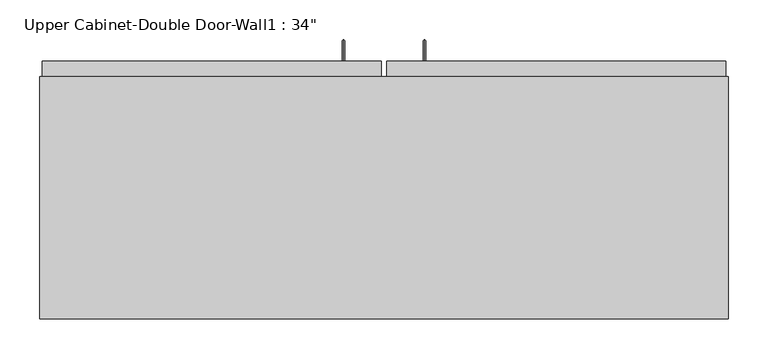
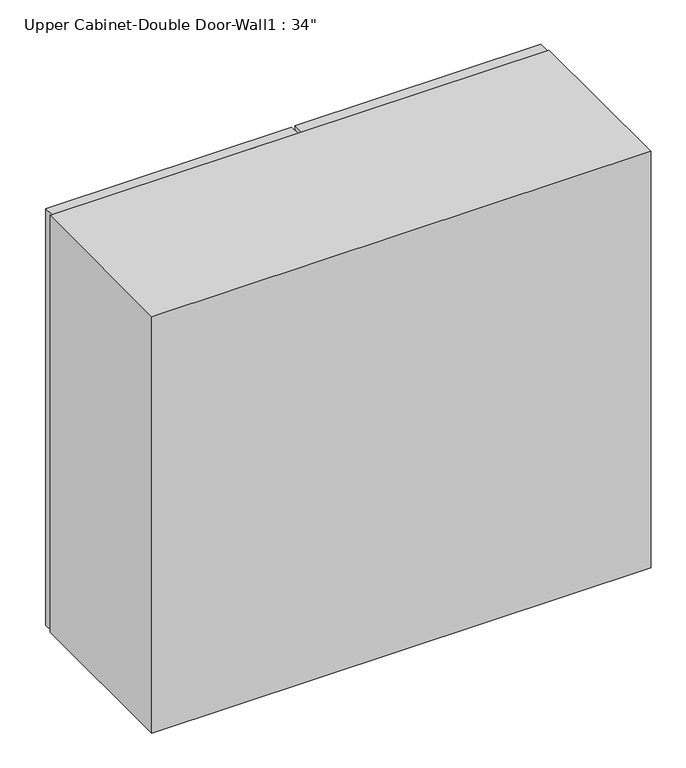
"""IFC4 building model written with IfcOpenShell, lengths in millimetres: furniture geometry."""

from ifc_helpers import new_model, si_unit, frame, origin, place, context, project, spatial, polyline, circle_curve, ellipse_curve, outline, extrude, faceted_brep, source, transform, mapped, element, save
from ifc_brep_helpers import plane_surface, cylinder_surface, advanced_brep


def furniture_887edf8e(model_context):
    return source(origin(), model_context, "Body", "SolidModel", [
        advanced_brep(
        [(80.5132081, 396.225, 1425.575), (80.5132081, 396.225, 1422.4), (80.5132081, 420.0375, 1425.575), (80.5132081, 423.2125, 1422.4), (80.5132081, 420.0375, 1597.025), (80.5132081, 423.2125, 1600.2), (80.5132081, 396.225, 1597.025), (80.5132081, 396.225, 1600.2)],
        [
            (0, 1, circle_curve(frame((80.5132081, 396.225, 1423.9875), z_axis=(0.0, -1.0, 0.0), x_axis=(0.0, 0.0, -1.0)), 1.5875)),
            (1, 0, circle_curve(frame((80.5132081, 396.225, 1423.9875), z_axis=(0.0, -1.0, 0.0), x_axis=(0.0, 0.0, -1.0)), 1.5875)),
            (0, 2),
            (2, 3, ellipse_curve(frame((80.5132081, 421.625, 1423.9875), z_axis=(0.0, -0.7071067811865536, -0.7071067811865416), x_axis=(0.0, -0.7071067811865415, 0.7071067811865536)), 2.245064, 1.5875)),
            (3, 1),
            (3, 2, ellipse_curve(frame((80.5132081, 421.625, 1423.9875), z_axis=(0.0, -0.7071067811865536, -0.7071067811865416), x_axis=(0.0, -0.7071067811865415, 0.7071067811865536)), 2.245064, 1.5875)),
            (2, 4),
            (4, 5, ellipse_curve(frame((80.5132081, 421.625, 1598.6125), z_axis=(0.0, 0.7071067811865415, -0.7071067811865535), x_axis=(0.0, -0.7071067811865533, -0.7071067811865418)), 2.245064, 1.5875)),
            (5, 3),
            (5, 4, ellipse_curve(frame((80.5132081, 421.625, 1598.6125), z_axis=(0.0, 0.7071067811865415, -0.7071067811865535), x_axis=(0.0, -0.7071067811865533, -0.7071067811865418)), 2.245064, 1.5875)),
            (6, 7, circle_curve(frame((80.5132081, 396.225, 1598.6125), z_axis=(0.0, -1.0, 0.0), x_axis=(0.0, 0.0, 1.0)), 1.5875)),
            (7, 6, circle_curve(frame((80.5132081, 396.225, 1598.6125), z_axis=(0.0, -1.0, 0.0), x_axis=(0.0, 0.0, 1.0)), 1.5875)),
            (4, 6),
            (7, 5),
        ],
        [
            plane_surface(frame((80.5132081, 396.225, 1423.9875), z_axis=(0.0, -1.0, 0.0), x_axis=(-1.0, 0.0, 0.0))),
            cylinder_surface(frame((80.5132081, 396.225, 1423.9875), z_axis=(0.0, -1.0, 0.0), x_axis=(0.0, 0.0, -1.0)), 1.5875),
            cylinder_surface(frame((80.5132081, 421.625, 1423.9875), z_axis=(0.0, 0.0, -1.0), x_axis=(0.0, 1.0, 0.0)), 1.5875),
            plane_surface(frame((80.5132081, 396.225, 1598.6125), z_axis=(0.0, -1.0, 0.0), x_axis=(-1.0, 0.0, 0.0))),
            cylinder_surface(frame((80.5132081, 421.625, 1598.6125), z_axis=(0.0, 1.0, 0.0), x_axis=(0.0, 0.0, 1.0)), 1.5875),
        ],
        [
            (0, [[1, 2]]),
            (1, [[-1, 3, 4, 5]]),
            (1, [[-2, -5, 6, -3]]),
            (2, [[-4, 7, 8, 9]]),
            (2, [[-6, -9, 10, -7]]),
            (3, [[11, 12]]),
            (4, [[-8, 13, -12, 14]]),
            (4, [[-10, -14, -11, -13]]),
        ],
    ),
        advanced_brep(
        [(-21.0867919, 396.225, 1425.575), (-21.0867919, 396.225, 1422.4), (-21.0867919, 420.0375, 1425.575), (-21.0867919, 423.2125, 1422.4), (-21.0867919, 420.0375, 1597.025), (-21.0867919, 423.2125, 1600.2), (-21.0867919, 396.225, 1597.025), (-21.0867919, 396.225, 1600.2)],
        [
            (0, 1, circle_curve(frame((-21.0867919, 396.225, 1423.9875), z_axis=(0.0, -1.0, 0.0), x_axis=(0.0, 0.0, -1.0)), 1.5875)),
            (1, 0, circle_curve(frame((-21.0867919, 396.225, 1423.9875), z_axis=(0.0, -1.0, 0.0), x_axis=(0.0, 0.0, -1.0)), 1.5875)),
            (0, 2),
            (2, 3, ellipse_curve(frame((-21.0867919, 421.625, 1423.9875), z_axis=(0.0, -0.7071067811865536, -0.7071067811865414), x_axis=(0.0, -0.7071067811865416, 0.7071067811865535)), 2.245064, 1.5875)),
            (3, 1),
            (3, 2, ellipse_curve(frame((-21.0867919, 421.625, 1423.9875), z_axis=(0.0, -0.7071067811865536, -0.7071067811865414), x_axis=(0.0, -0.7071067811865416, 0.7071067811865535)), 2.245064, 1.5875)),
            (2, 4),
            (4, 5, ellipse_curve(frame((-21.0867919, 421.625, 1598.6125), z_axis=(0.0, 0.7071067811865415, -0.7071067811865535), x_axis=(0.0, -0.7071067811865533, -0.7071067811865416)), 2.245064, 1.5875)),
            (5, 3),
            (5, 4, ellipse_curve(frame((-21.0867919, 421.625, 1598.6125), z_axis=(0.0, 0.7071067811865415, -0.7071067811865535), x_axis=(0.0, -0.7071067811865533, -0.7071067811865416)), 2.245064, 1.5875)),
            (6, 7, circle_curve(frame((-21.0867919, 396.225, 1598.6125), z_axis=(0.0, -1.0, 0.0), x_axis=(0.0, 0.0, 1.0)), 1.5875)),
            (7, 6, circle_curve(frame((-21.0867919, 396.225, 1598.6125), z_axis=(0.0, -1.0, 0.0), x_axis=(0.0, 0.0, 1.0)), 1.5875)),
            (4, 6),
            (7, 5),
        ],
        [
            plane_surface(frame((-21.0867919, 396.225, 1423.9875), z_axis=(0.0, -1.0, 0.0), x_axis=(-1.0, 0.0, 0.0))),
            cylinder_surface(frame((-21.0867919, 396.225, 1423.9875), z_axis=(0.0, -1.0, 0.0), x_axis=(0.0, 0.0, -1.0)), 1.5875),
            cylinder_surface(frame((-21.0867919, 421.625, 1423.9875), z_axis=(0.0, 0.0, -1.0), x_axis=(0.0, 1.0, 0.0)), 1.5875),
            plane_surface(frame((-21.0867919, 396.225, 1598.6125), z_axis=(0.0, -1.0, 0.0), x_axis=(-1.0, 0.0, 0.0))),
            cylinder_surface(frame((-21.0867919, 421.625, 1598.6125), z_axis=(0.0, 1.0, 0.0), x_axis=(0.0, 0.0, 1.0)), 1.5875),
        ],
        [
            (0, [[1, 2]]),
            (1, [[-1, 3, 4, 5]]),
            (1, [[-2, -5, 6, -3]]),
            (2, [[-4, 7, 8, 9]]),
            (2, [[-6, -9, 10, -7]]),
            (3, [[11, 12]]),
            (4, [[-8, 13, -12, 14]]),
            (4, [[-10, -14, -11, -13]]),
        ],
    ),
        faceted_brep([(-402.0288372, 72.375, 2133.6), (-402.0288372, 72.375, 1371.6), (461.5711628, 72.375, 1371.6), (461.5711628, 72.375, 2133.6), (-402.0288372, 377.175, 2133.6), (461.5711628, 377.175, 2133.6), (461.5711628, 377.175, 1371.6), (-402.0288372, 377.175, 1371.6), (442.5211628, 377.175, 2114.55), (55.1711628, 377.175, 2114.55), (55.1711628, 377.175, 1390.65), (442.5211628, 377.175, 1390.65), (-382.9788372, 377.175, 2114.55), (-382.9788372, 377.175, 1390.65), (4.3711628, 377.175, 1390.65), (4.3711628, 377.175, 2114.55), (-382.9788372, 91.425, 2114.55), (4.3711628, 358.125, 2114.55), (55.1711628, 358.125, 2114.55), (442.5211628, 91.425, 2114.55), (442.5211628, 91.425, 1390.65), (55.1711628, 358.125, 1390.65), (4.3711628, 358.125, 1390.65), (-382.9788372, 91.425, 1390.65)], [[[0, 1, 2, 3]], [[4, 5, 6, 7], [8, 9, 10, 11], [12, 13, 14, 15]], [[1, 0, 4, 7]], [[2, 1, 7, 6]], [[3, 2, 6, 5]], [[0, 3, 5, 4]], [[16, 12, 15, 17, 18, 9, 8, 19]], [[8, 11, 20, 19]], [[20, 11, 10, 21, 22, 14, 13, 23]], [[13, 12, 16, 23]], [[16, 19, 20, 23]], [[18, 21, 10, 9]], [[15, 14, 22, 17]], [[21, 18, 17, 22]]]),
        extrude(outline(polyline([(32.9461628, 396.225), (458.3961628, 396.225), (458.3961628, 377.175), (32.9461628, 377.175), (32.9461628, 396.225)])), frame((0.0, 0.0, 1371.6), z_axis=(0.0, 0.0, 1.0), x_axis=(1.0, 0.0, 0.0)), (0.0, 0.0, 1.0), 762.0),
        extrude(outline(polyline([(-398.8538372, 396.225), (26.5961628, 396.225), (26.5961628, 377.175), (-398.8538372, 377.175), (-398.8538372, 396.225)])), frame((0.0, 0.0, 1371.6), z_axis=(0.0, 0.0, 1.0), x_axis=(1.0, 0.0, 0.0)), (0.0, 0.0, 1.0), 762.0),
        extrude(outline(polyline([(442.5211628, 358.125), (442.5211628, 91.425), (-382.9788372, 91.425), (-382.9788372, 358.125), (442.5211628, 358.125)])), frame((0.0, 0.0, 1951.0326388), z_axis=(0.0, 0.0, 1.0), x_axis=(1.0, 0.0, 0.0)), (0.0, 0.0, 1.0), 12.7),
        extrude(outline(polyline([(442.5211628, 358.125), (442.5211628, 91.425), (-382.9788372, 91.425), (-382.9788372, 358.125), (442.5211628, 358.125)])), frame((0.0, 0.0, 1773.2326388), z_axis=(0.0, 0.0, 1.0), x_axis=(1.0, 0.0, 0.0)), (0.0, 0.0, 1.0), 12.7),
        extrude(outline(polyline([(442.5211628, 358.125), (442.5211628, 91.425), (-382.9788372, 91.425), (-382.9788372, 358.125), (442.5211628, 358.125)])), frame((0.0, 0.0, 1595.4326388), z_axis=(0.0, 0.0, 1.0), x_axis=(1.0, 0.0, 0.0)), (0.0, 0.0, 1.0), 12.7),
    ])


if __name__ == "__main__":
    model = new_model("IFC4")
    model_context = context("Model", 3, world=origin())
    ifc_project = project(units=[si_unit("LENGTHUNIT", "METRE", prefix="MILLI")], contexts=[model_context])
    site = spatial("IfcSite", under=ifc_project)
    building = spatial("IfcBuilding", under=site)
    placement = place(None, origin())
    furniture_shape = furniture_887edf8e(model_context)
    element("IfcFurniture", 1, ObjectType="Upper Cabinet-Double Door-Wall1 : 34\"", at=placement, inside=building, context=model_context, shape_type="MappedRepresentation", body=[
        mapped(furniture_shape, transform((0.0, 0.0, 0.0), x_axis=(1.0, 0.0, 0.0), y_axis=(0.0, 1.0, 0.0), z_axis=(0.0, 0.0, 1.0))),
    ])
    save(model, "model.ifc")
